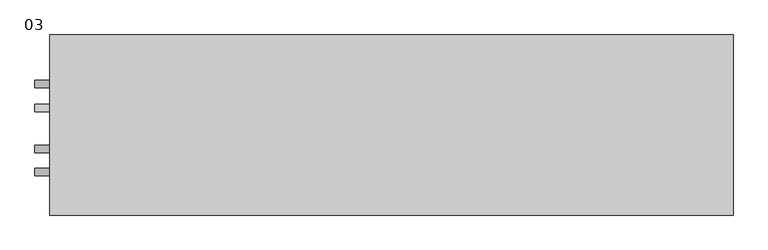
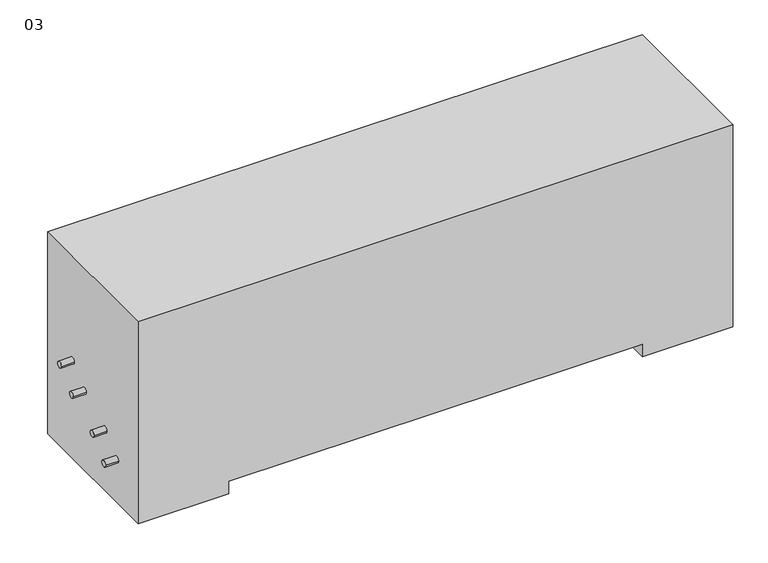
"""IFC4 building model written with IfcOpenShell, lengths in millimetres: proxy geometry, 03."""

from ifc_helpers import new_model, si_unit, frame, origin, place, context, project, spatial, circle_curve, source, transform, mapped, element, save
from ifc_brep_helpers import plane_surface, cylinder_surface, advanced_brep


def proxy_03_d34dd3e5(model_context):
    return source(origin(), model_context, "Body", "AdvancedBrep", [
        advanced_brep(
        [(-400.5558198, 153.9875, 0.0), (-400.5558198, -153.9875, 0.0), (-578.3558198, -153.9875, 0.0), (-578.3558198, 153.9875, 0.0), (590.0441802, 153.9875, 0.0), (590.0441802, -153.9875, 0.0), (412.2441802, -153.9875, 0.0), (412.2441802, 153.9875, 0.0), (-578.3558198, 153.9875, 419.1), (590.0441802, 153.9875, 419.1), (412.2441802, 153.9875, 25.4), (-400.5558198, 153.9875, 25.4), (-578.3558198, -153.9875, 419.1), (-578.3558198, 35.5564183, 165.1), (-578.3558198, 22.8564183, 165.1), (-578.3558198, -47.4237222, 127.0), (-578.3558198, -34.7237222, 127.0), (-578.3558198, -86.8045495, 88.9), (-578.3558198, -74.1045495, 88.9), (-578.3558198, 63.4773383, 203.2), (-578.3558198, 76.1773383, 203.2), (-400.5558198, -153.9875, 25.4), (412.2441802, -153.9875, 25.4), (590.0441802, -153.9875, 419.1), (-603.7558198, 35.5564183, 165.1), (-603.7558198, 22.8564183, 165.1), (-603.7558198, -34.7237222, 127.0), (-603.7558198, -47.4237222, 127.0), (-603.7558198, -74.1045495, 88.9), (-603.7558198, -86.8045495, 88.9), (-603.7558198, 76.1773383, 203.2), (-603.7558198, 63.4773383, 203.2)],
        [
            (0, 1),
            (1, 2),
            (2, 3),
            (3, 0),
            (4, 5),
            (5, 6),
            (6, 7),
            (7, 4),
            (3, 8),
            (8, 9),
            (9, 4),
            (7, 10),
            (10, 11),
            (11, 0),
            (2, 12),
            (12, 8),
            (13, 14, circle_curve(frame((-578.3558198, 29.2064183, 165.1), z_axis=(1.0, 0.0, 0.0), x_axis=(0.0, -1.0, 0.0)), 6.35)),
            (14, 13, circle_curve(frame((-578.3558198, 29.2064183, 165.1), z_axis=(1.0, 0.0, 0.0), x_axis=(0.0, -1.0, 0.0)), 6.35)),
            (15, 16, circle_curve(frame((-578.3558198, -41.0737222, 127.0), z_axis=(1.0, 0.0, 0.0), x_axis=(0.0, -1.0, 0.0)), 6.35)),
            (16, 15, circle_curve(frame((-578.3558198, -41.0737222, 127.0), z_axis=(1.0, 0.0, 0.0), x_axis=(0.0, -1.0, 0.0)), 6.35)),
            (17, 18, circle_curve(frame((-578.3558198, -80.4545495, 88.9), z_axis=(1.0, 0.0, 0.0), x_axis=(0.0, -1.0, 0.0)), 6.35)),
            (18, 17, circle_curve(frame((-578.3558198, -80.4545495, 88.9), z_axis=(1.0, 0.0, 0.0), x_axis=(0.0, -1.0, 0.0)), 6.35)),
            (19, 20, circle_curve(frame((-578.3558198, 69.8273383, 203.2), z_axis=(1.0, 0.0, 0.0), x_axis=(0.0, -1.0, 0.0)), 6.35)),
            (20, 19, circle_curve(frame((-578.3558198, 69.8273383, 203.2), z_axis=(1.0, 0.0, 0.0), x_axis=(0.0, -1.0, 0.0)), 6.35)),
            (1, 21),
            (21, 22),
            (22, 6),
            (5, 23),
            (23, 12),
            (11, 21),
            (22, 10),
            (9, 23),
            (24, 25, circle_curve(frame((-603.7558198, 29.2064183, 165.1), z_axis=(-1.0, 0.0, 0.0), x_axis=(0.0, -1.0, 0.0)), 6.35)),
            (25, 24, circle_curve(frame((-603.7558198, 29.2064183, 165.1), z_axis=(-1.0, 0.0, 0.0), x_axis=(0.0, -1.0, 0.0)), 6.35)),
            (25, 14),
            (13, 24),
            (26, 27, circle_curve(frame((-603.7558198, -41.0737222, 127.0), z_axis=(-1.0, 0.0, 0.0), x_axis=(0.0, -1.0, 0.0)), 6.35)),
            (27, 26, circle_curve(frame((-603.7558198, -41.0737222, 127.0), z_axis=(-1.0, 0.0, 0.0), x_axis=(0.0, -1.0, 0.0)), 6.35)),
            (26, 16),
            (15, 27),
            (28, 29, circle_curve(frame((-603.7558198, -80.4545495, 88.9), z_axis=(-1.0, 0.0, 0.0), x_axis=(0.0, -1.0, 0.0)), 6.35)),
            (29, 28, circle_curve(frame((-603.7558198, -80.4545495, 88.9), z_axis=(-1.0, 0.0, 0.0), x_axis=(0.0, -1.0, 0.0)), 6.35)),
            (28, 18),
            (17, 29),
            (30, 31, circle_curve(frame((-603.7558198, 69.8273383, 203.2), z_axis=(-1.0, 0.0, 0.0), x_axis=(0.0, -1.0, 0.0)), 6.35)),
            (31, 30, circle_curve(frame((-603.7558198, 69.8273383, 203.2), z_axis=(-1.0, 0.0, 0.0), x_axis=(0.0, -1.0, 0.0)), 6.35)),
            (30, 20),
            (19, 31),
        ],
        [
            plane_surface(frame((-578.3558198, 153.9875, 0.0), z_axis=(0.0, 0.0, -1.0), x_axis=(1.0, 0.0, 0.0))),
            plane_surface(frame((-400.5558198, 153.9875, 25.4), z_axis=(0.0, 1.0, 0.0), x_axis=(0.0, 0.0, -1.0))),
            plane_surface(frame((-578.3558198, 153.9875, 25.4), z_axis=(-1.0, 0.0, 0.0), x_axis=(0.0, 0.0, -1.0))),
            plane_surface(frame((-578.3558198, -153.9875, 25.4), z_axis=(0.0, -1.0, 0.0), x_axis=(0.0, 0.0, -1.0))),
            plane_surface(frame((-400.5558198, -153.9875, 25.4), z_axis=(1.0, 0.0, 0.0), x_axis=(0.0, 0.0, -1.0))),
            plane_surface(frame((412.2441802, 153.9875, 25.4), z_axis=(-1.0, 0.0, 0.0), x_axis=(0.0, 0.0, -1.0))),
            plane_surface(frame((590.0441802, -153.9875, 25.4), z_axis=(1.0, 0.0, 0.0), x_axis=(0.0, 0.0, -1.0))),
            plane_surface(frame((-603.7558198, 22.8564183, 165.1), z_axis=(-1.0, 0.0, 0.0), x_axis=(0.0, 0.0, 1.0))),
            cylinder_surface(frame((-603.7558198, 29.2064183, 165.1), z_axis=(1.0, 0.0, 0.0), x_axis=(0.0, -1.0, 0.0)), 6.35),
            plane_surface(frame((-578.3558198, 153.9875, 419.1), z_axis=(0.0, 0.0, 1.0), x_axis=(-1.0, 0.0, 0.0))),
            plane_surface(frame((-578.3558198, 153.9875, 25.4), z_axis=(0.0, 0.0, -1.0), x_axis=(1.0, 0.0, 0.0))),
            plane_surface(frame((-603.7558198, -47.4237222, 127.0), z_axis=(-1.0, 0.0, 0.0), x_axis=(0.0, 0.0, 1.0))),
            cylinder_surface(frame((590.0441802, -41.0737222, 127.0), z_axis=(-1.0, 0.0, 0.0), x_axis=(0.0, -1.0, 0.0)), 6.35),
            plane_surface(frame((-603.7558198, -86.8045495, 88.9), z_axis=(-1.0, 0.0, 0.0), x_axis=(0.0, 0.0, 1.0))),
            cylinder_surface(frame((590.0441802, -80.4545495, 88.9), z_axis=(-1.0, 0.0, 0.0), x_axis=(0.0, -1.0, 0.0)), 6.35),
            plane_surface(frame((-603.7558198, 63.4773383, 203.2), z_axis=(-1.0, 0.0, 0.0), x_axis=(0.0, 0.0, 1.0))),
            cylinder_surface(frame((590.0441802, 69.8273383, 203.2), z_axis=(-1.0, 0.0, 0.0), x_axis=(0.0, -1.0, 0.0)), 6.35),
        ],
        [
            (0, [[1, 2, 3, 4]]),
            (0, [[5, 6, 7, 8]]),
            (1, [[-4, 9, 10, 11, -8, 12, 13, 14]]),
            (2, [[-3, 15, 16, -9], [17, 18], [19, 20], [21, 22], [23, 24]]),
            (3, [[-2, 25, 26, 27, -6, 28, 29, -15]]),
            (4, [[-1, -14, 30, -25]]),
            (5, [[-7, -27, 31, -12]]),
            (6, [[-5, -11, 32, -28]]),
            (7, [[33, 34]]),
            (8, [[-34, 35, -17, 36]]),
            (8, [[-33, -36, -18, -35]]),
            (9, [[-10, -16, -29, -32]]),
            (10, [[-13, -31, -26, -30]]),
            (11, [[37, 38]]),
            (12, [[-37, 39, -19, 40]]),
            (12, [[-38, -40, -20, -39]]),
            (13, [[41, 42]]),
            (14, [[-41, 43, -21, 44]]),
            (14, [[-42, -44, -22, -43]]),
            (15, [[45, 46]]),
            (16, [[-45, 47, -23, 48]]),
            (16, [[-46, -48, -24, -47]]),
        ],
    ),
    ])


if __name__ == "__main__":
    model = new_model("IFC4")
    model_context = context("Model", 3, world=origin())
    ifc_project = project(units=[si_unit("LENGTHUNIT", "METRE", prefix="MILLI")], contexts=[model_context])
    site = spatial("IfcSite", under=ifc_project)
    building = spatial("IfcBuilding", under=site)
    placement = place(None, origin())
    proxy_03_shape = proxy_03_d34dd3e5(model_context)
    element("IfcBuildingElementProxy", 1, Name="03", ObjectType="03", at=placement, inside=building, context=model_context, shape_type="MappedRepresentation", body=[
        mapped(proxy_03_shape, transform((0.0, 0.0, 0.0), x_axis=(1.0, 0.0, 0.0), y_axis=(0.0, 1.0, 0.0), z_axis=(0.0, 0.0, 1.0))),
    ])
    save(model, "model.ifc")
